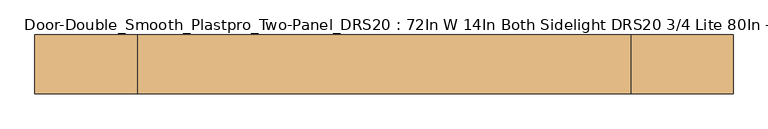
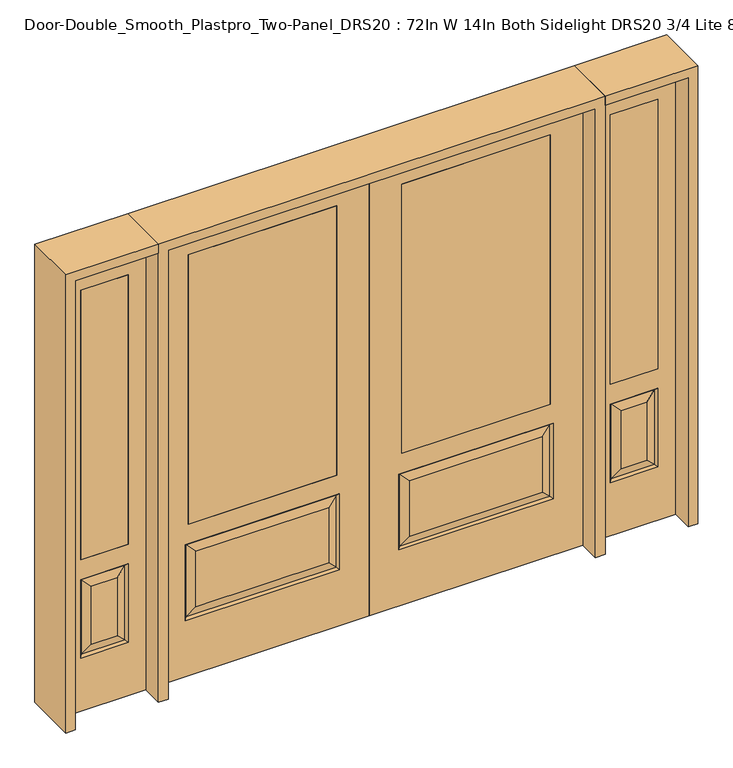
"""IFC4 building model written with IfcOpenShell, lengths in millimetres: door geometry, Door-Double_Smooth_Plastpro_Two-Panel_DRS20 : 72In W 14In Both Sidelight DRS20 3/4 Lite 80In - Smooth."""

from ifc_helpers import new_model, si_unit, frame, origin, place, context, project, spatial, polyline, outline, extrude, faceted_brep, source, transform, mapped, element, save


def door_double_smooth_plastpro_two_panel_drs20_72in_w_14in_both_e5f3ccd1(model_context):
    return source(origin(), model_context, "Body", "SolidModel", [
        extrude(outline(polyline([(-774.7, -20.6375), (-774.7, 20.6375), (-139.7, 20.6375), (-139.7, -20.6375), (-774.7, -20.6375)])), frame((0.0, 0.0, 685.8), z_axis=(0.0, 0.0, 1.0), x_axis=(1.0, 0.0, 0.0)), (0.0, 0.0, 1.0), 1219.2),
        faceted_brep([(-914.4, 20.6375, 0.0), (0.0, 20.6375, 0.0), (0.0, -20.6375, 0.0), (-914.4, -20.6375, 0.0), (-914.4, 20.6375, 2032.0), (-914.4, -20.6375, 2032.0), (0.0, -20.6375, 2032.0), (-787.4, -20.6375, 254.0), (-787.4, -20.6375, 596.9), (-127.0, -20.6375, 596.9), (-127.0, -20.6375, 254.0), (-139.7, -20.6375, 1905.0), (-139.7, -20.6375, 685.8), (-774.7, -20.6375, 685.8), (-774.7, -20.6375, 1905.0), (-173.0375, -20.6375, 300.0375), (-173.0375, -20.6375, 550.8625), (-741.3625, -20.6375, 550.8625), (-741.3625, -20.6375, 300.0375), (0.0, 20.6375, 2032.0), (-787.4, 20.6375, 596.9), (-787.4, 20.6375, 254.0), (-127.0, 20.6375, 254.0), (-127.0, 20.6375, 596.9), (-774.7, 20.6375, 1905.0), (-774.7, 20.6375, 685.8), (-139.7, 20.6375, 685.8), (-139.7, 20.6375, 1905.0), (-173.0375, 20.6375, 550.8625), (-173.0375, 20.6375, 300.0375), (-741.3625, 20.6375, 300.0375), (-741.3625, 20.6375, 550.8625), (-778.4197439, 11.6572439, 587.9197439), (-135.9802561, 11.6572439, 587.9197439), (-135.9802561, 11.6572439, 262.9802561), (-778.4197439, 11.6572439, 262.9802561), (-778.4197439, -11.6572439, 262.9802561), (-135.9802561, -11.6572439, 262.9802561), (-135.9802561, -11.6572439, 587.9197439), (-778.4197439, -11.6572439, 587.9197439)], [[[0, 1, 2, 3]], [[4, 0, 3, 5]], [[5, 3, 2, 6], [7, 8, 9, 10], [11, 12, 13, 14]], [[15, 16, 17, 18]], [[6, 2, 1, 19]], [[19, 1, 0, 4], [20, 21, 22, 23], [24, 25, 26, 27]], [[28, 29, 30, 31]], [[32, 20, 23, 33]], [[23, 22, 34, 33]], [[22, 21, 35, 34]], [[32, 35, 21, 20]], [[33, 28, 31, 32]], [[31, 30, 35, 32]], [[34, 35, 30, 29]], [[33, 34, 29, 28]], [[27, 26, 12, 11]], [[26, 25, 13, 12]], [[14, 13, 25, 24]], [[36, 7, 10, 37]], [[10, 9, 38, 37]], [[9, 8, 39, 38]], [[36, 39, 8, 7]], [[37, 15, 18, 36]], [[18, 17, 39, 36]], [[38, 39, 17, 16]], [[37, 38, 16, 15]], [[4, 5, 6, 19]], [[11, 14, 24, 27]]]),
        extrude(outline(polyline([(774.7, -20.6375), (139.7, -20.6375), (139.7, 20.6375), (774.7, 20.6375), (774.7, -20.6375)])), frame((0.0, 0.0, 685.8), z_axis=(0.0, 0.0, 1.0), x_axis=(1.0, 0.0, 0.0)), (0.0, 0.0, 1.0), 1219.2),
        faceted_brep([(914.4, 20.6375, 0.0), (914.4, -20.6375, 0.0), (0.0, -20.6375, 0.0), (0.0, 20.6375, 0.0), (914.4, 20.6375, 2032.0), (914.4, -20.6375, 2032.0), (173.0375, -20.6375, 300.0375), (741.3625, -20.6375, 300.0375), (741.3625, -20.6375, 550.8625), (173.0375, -20.6375, 550.8625), (0.0, -20.6375, 2032.0), (787.4, -20.6375, 254.0), (127.0, -20.6375, 254.0), (127.0, -20.6375, 596.9), (787.4, -20.6375, 596.9), (139.7, -20.6375, 1905.0), (774.7, -20.6375, 1905.0), (774.7, -20.6375, 685.8), (139.7, -20.6375, 685.8), (0.0, 20.6375, 2032.0), (173.0375, 20.6375, 550.8625), (741.3625, 20.6375, 550.8625), (741.3625, 20.6375, 300.0375), (173.0375, 20.6375, 300.0375), (787.4, 20.6375, 596.9), (127.0, 20.6375, 596.9), (127.0, 20.6375, 254.0), (787.4, 20.6375, 254.0), (774.7, 20.6375, 1905.0), (139.7, 20.6375, 1905.0), (139.7, 20.6375, 685.8), (774.7, 20.6375, 685.8), (778.4197439, 11.6572439, 587.9197439), (135.9802561, 11.6572439, 587.9197439), (135.9802561, 11.6572439, 262.9802561), (778.4197439, 11.6572439, 262.9802561), (778.4197439, -11.6572439, 262.9802561), (135.9802561, -11.6572439, 262.9802561), (135.9802561, -11.6572439, 587.9197439), (778.4197439, -11.6572439, 587.9197439)], [[[0, 1, 2, 3]], [[4, 5, 1, 0]], [[6, 7, 8, 9]], [[5, 10, 2, 1], [11, 12, 13, 14], [15, 16, 17, 18]], [[10, 19, 3, 2]], [[20, 21, 22, 23]], [[19, 4, 0, 3], [24, 25, 26, 27], [28, 29, 30, 31]], [[32, 33, 25, 24]], [[25, 33, 34, 26]], [[26, 34, 35, 27]], [[32, 24, 27, 35]], [[33, 32, 21, 20]], [[21, 32, 35, 22]], [[34, 23, 22, 35]], [[33, 20, 23, 34]], [[29, 15, 18, 30]], [[30, 18, 17, 31]], [[16, 28, 31, 17]], [[36, 37, 12, 11]], [[12, 37, 38, 13]], [[13, 38, 39, 14]], [[36, 11, 14, 39]], [[37, 36, 7, 6]], [[7, 36, 39, 8]], [[38, 9, 8, 39]], [[37, 6, 9, 38]], [[4, 19, 10, 5]], [[15, 29, 28, 16]]]),
        extrude(outline(polyline([(1031.875, -20.6375), (1031.875, 20.6375), (1235.075, 20.6375), (1235.075, -20.6375), (1031.875, -20.6375)])), frame((0.0, 0.0, 685.8), z_axis=(0.0, 0.0, 1.0), x_axis=(1.0, 0.0, 0.0)), (0.0, 0.0, 1.0), 1219.2),
        faceted_brep([(1311.275, -20.6375, 0.0), (1311.275, -20.6375, 2032.0), (955.675, -20.6375, 2032.0), (955.675, -20.6375, 0.0), (1031.875, -20.6375, 685.8), (1031.875, -20.6375, 1905.0), (1235.075, -20.6375, 1905.0), (1235.075, -20.6375, 685.8), (1031.875, -20.6375, 241.3), (1031.875, -20.6375, 596.9), (1235.075, -20.6375, 596.9), (1235.075, -20.6375, 241.3), (1189.0375, -20.6375, 287.3375), (1189.0375, -20.6375, 550.8625), (1077.9125, -20.6375, 550.8625), (1077.9125, -20.6375, 287.3375), (955.675, 20.6375, 0.0), (1311.275, 20.6375, 0.0), (955.675, 20.6375, 2032.0), (1311.275, 20.6375, 2032.0), (1040.8552561, -11.6572439, 250.2802561), (1226.0947439, -11.6572439, 250.2802561), (1226.0947439, -11.6572439, 587.9197439), (1040.8552561, -11.6572439, 587.9197439), (1235.075, 20.6375, 685.8), (1031.875, 20.6375, 685.8), (1235.075, 20.6375, 1905.0), (1031.875, 20.6375, 1905.0), (1235.075, 20.6375, 241.3), (1235.075, 20.6375, 596.9), (1031.875, 20.6375, 596.9), (1031.875, 20.6375, 241.3), (1077.9125, 20.6375, 287.3375), (1077.9125, 20.6375, 550.8625), (1189.0375, 20.6375, 550.8625), (1189.0375, 20.6375, 287.3375), (1040.8552561, 11.6572439, 250.2802561), (1226.0947439, 11.6572439, 250.2802561), (1040.8552561, 11.6572439, 587.9197439), (1226.0947439, 11.6572439, 587.9197439)], [[[0, 1, 2, 3], [4, 5, 6, 7], [8, 9, 10, 11]], [[12, 13, 14, 15]], [[3, 16, 17, 0]], [[2, 18, 16, 3]], [[0, 17, 19, 1]], [[20, 8, 11, 21]], [[11, 10, 22, 21]], [[10, 9, 23, 22]], [[20, 23, 9, 8]], [[21, 12, 15, 20]], [[15, 14, 23, 20]], [[22, 23, 14, 13]], [[21, 22, 13, 12]], [[4, 7, 24, 25]], [[7, 6, 26, 24]], [[25, 27, 5, 4]], [[17, 16, 18, 19], [24, 26, 27, 25], [28, 29, 30, 31]], [[32, 33, 34, 35]], [[28, 31, 36, 37]], [[31, 30, 38, 36]], [[39, 38, 30, 29]], [[37, 39, 29, 28]], [[36, 32, 35, 37]], [[35, 34, 39, 37]], [[34, 33, 38, 39]], [[36, 38, 33, 32]], [[1, 19, 18, 2]], [[27, 26, 6, 5]]]),
        extrude(outline(polyline([(-1031.875, -20.6375), (-1235.075, -20.6375), (-1235.075, 20.6375), (-1031.875, 20.6375), (-1031.875, -20.6375)])), frame((0.0, 0.0, 685.8), z_axis=(0.0, 0.0, 1.0), x_axis=(1.0, 0.0, 0.0)), (0.0, 0.0, 1.0), 1219.2),
        faceted_brep([(-1311.275, -20.6375, 0.0), (-955.675, -20.6375, 0.0), (-955.675, -20.6375, 2032.0), (-1311.275, -20.6375, 2032.0), (-1031.875, -20.6375, 685.8), (-1235.075, -20.6375, 685.8), (-1235.075, -20.6375, 1905.0), (-1031.875, -20.6375, 1905.0), (-1031.875, -20.6375, 241.3), (-1235.075, -20.6375, 241.3), (-1235.075, -20.6375, 596.9), (-1031.875, -20.6375, 596.9), (-1189.0375, -20.6375, 287.3375), (-1077.9125, -20.6375, 287.3375), (-1077.9125, -20.6375, 550.8625), (-1189.0375, -20.6375, 550.8625), (-1311.275, 20.6375, 0.0), (-955.675, 20.6375, 0.0), (-955.675, 20.6375, 2032.0), (-1311.275, 20.6375, 2032.0), (-1040.8552561, -11.6572439, 250.2802561), (-1226.0947439, -11.6572439, 250.2802561), (-1226.0947439, -11.6572439, 587.9197439), (-1040.8552561, -11.6572439, 587.9197439), (-1031.875, 20.6375, 685.8), (-1235.075, 20.6375, 685.8), (-1235.075, 20.6375, 1905.0), (-1031.875, 20.6375, 1905.0), (-1235.075, 20.6375, 241.3), (-1031.875, 20.6375, 241.3), (-1031.875, 20.6375, 596.9), (-1235.075, 20.6375, 596.9), (-1077.9125, 20.6375, 287.3375), (-1189.0375, 20.6375, 287.3375), (-1189.0375, 20.6375, 550.8625), (-1077.9125, 20.6375, 550.8625), (-1226.0947439, 11.6572439, 250.2802561), (-1040.8552561, 11.6572439, 250.2802561), (-1040.8552561, 11.6572439, 587.9197439), (-1226.0947439, 11.6572439, 587.9197439)], [[[0, 1, 2, 3], [4, 5, 6, 7], [8, 9, 10, 11]], [[12, 13, 14, 15]], [[1, 0, 16, 17]], [[2, 1, 17, 18]], [[0, 3, 19, 16]], [[20, 21, 9, 8]], [[9, 21, 22, 10]], [[10, 22, 23, 11]], [[20, 8, 11, 23]], [[21, 20, 13, 12]], [[13, 20, 23, 14]], [[22, 15, 14, 23]], [[21, 12, 15, 22]], [[4, 24, 25, 5]], [[5, 25, 26, 6]], [[24, 4, 7, 27]], [[16, 19, 18, 17], [25, 24, 27, 26], [28, 29, 30, 31]], [[32, 33, 34, 35]], [[28, 36, 37, 29]], [[29, 37, 38, 30]], [[39, 31, 30, 38]], [[36, 28, 31, 39]], [[37, 36, 33, 32]], [[33, 36, 39, 34]], [[34, 39, 38, 35]], [[37, 32, 35, 38]], [[3, 2, 18, 19]], [[27, 7, 6, 26]]]),
        extrude(outline(polyline([(2032.0, -955.675), (2073.275, -955.675), (2073.275, -1352.55), (0.0, -1352.55), (0.0, -1311.275), (2032.0, -1311.275), (2032.0, -955.675)])), frame((0.0, -114.3, 0.0), z_axis=(0.0, 1.0, 0.0), x_axis=(0.0, 0.0, 1.0)), (0.0, 0.0, 1.0), 228.6),
        extrude(outline(polyline([(2073.275, -955.675), (0.0, -955.675), (0.0, -914.4), (2032.0, -914.4), (2032.0, 914.4), (0.0, 914.4), (0.0, 955.675), (2073.275, 955.675), (2073.275, -955.675)])), frame((0.0, -114.3, 0.0), z_axis=(0.0, 1.0, 0.0), x_axis=(0.0, 0.0, 1.0)), (0.0, 0.0, 1.0), 228.6),
        extrude(outline(polyline([(0.0, 1311.275), (0.0, 1352.55), (2073.275, 1352.55), (2073.275, 955.675), (2032.0, 955.675), (2032.0, 1311.275), (0.0, 1311.275)])), frame((0.0, -114.3, 0.0), z_axis=(0.0, 1.0, 0.0), x_axis=(0.0, 0.0, 1.0)), (0.0, 0.0, 1.0), 228.6),
    ])


if __name__ == "__main__":
    model = new_model("IFC4")
    model_context = context("Model", 3, world=origin())
    ifc_project = project(units=[si_unit("LENGTHUNIT", "METRE", prefix="MILLI")], contexts=[model_context])
    site = spatial("IfcSite", under=ifc_project)
    building = spatial("IfcBuilding", under=site)
    placement = place(None, origin())
    door_double_smooth_plastpro_two_panel_drs20_72in_w_14in_both_shape = door_double_smooth_plastpro_two_panel_drs20_72in_w_14in_both_e5f3ccd1(model_context)
    element("IfcDoor", 1, ObjectType="Door-Double_Smooth_Plastpro_Two-Panel_DRS20 : 72In W 14In Both Sidelight DRS20 3/4 Lite 80In - Smooth", at=placement, inside=building, context=model_context, shape_type="MappedRepresentation", body=[
        mapped(door_double_smooth_plastpro_two_panel_drs20_72in_w_14in_both_shape, transform((0.0, 0.0, 0.0), x_axis=(1.0, 0.0, 0.0), y_axis=(0.0, 1.0, 0.0), z_axis=(0.0, 0.0, 1.0))),
    ])
    save(model, "model.ifc")
